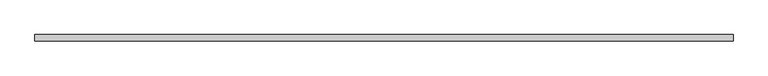
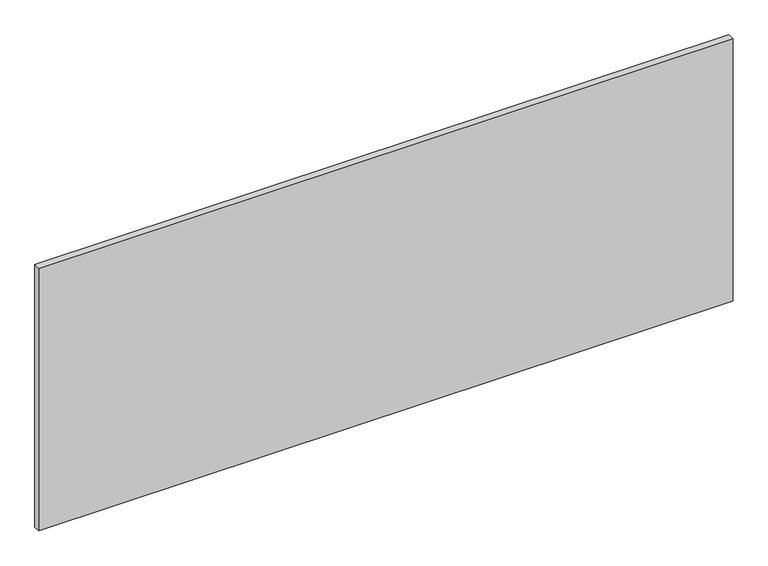
"""IFC4 building model written with IfcOpenShell, lengths in millimetres: furniture geometry."""

from ifc_helpers import new_model, si_unit, frame, origin, place, context, project, spatial, polyline, outline, extrude, source, transform, mapped, element, save


def furniture_b54a9c8d(model_context):
    return source(origin(), model_context, "Body", "SweptSolid", [
        extrude(outline(polyline([(762.0, -34.1082318), (762.0, -48.296513), (-762.0, -48.296513), (-762.0, -34.1082318), (762.0, -34.1082318)])), frame((0.0, 0.0, 1371.6), z_axis=(0.0, 0.0, 1.0), x_axis=(1.0, 0.0, 0.0)), (0.0, 0.0, 1.0), 609.6),
    ])


if __name__ == "__main__":
    model = new_model("IFC4")
    model_context = context("Model", 3, world=origin())
    ifc_project = project(units=[si_unit("LENGTHUNIT", "METRE", prefix="MILLI")], contexts=[model_context])
    site = spatial("IfcSite", under=ifc_project)
    building = spatial("IfcBuilding", under=site)
    placement = place(None, origin())
    furniture_shape = furniture_b54a9c8d(model_context)
    element("IfcFurniture", 1, at=placement, inside=building, context=model_context, shape_type="MappedRepresentation", body=[
        mapped(furniture_shape, transform((0.0, 0.0, 0.0), x_axis=(1.0, 0.0, 0.0), y_axis=(0.0, 1.0, 0.0), z_axis=(0.0, 0.0, 1.0))),
    ])
    save(model, "model.ifc")
